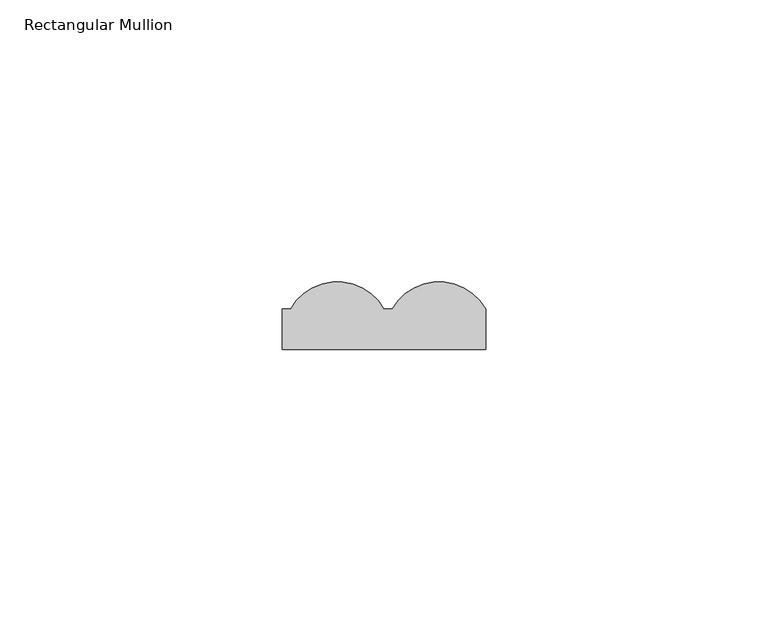
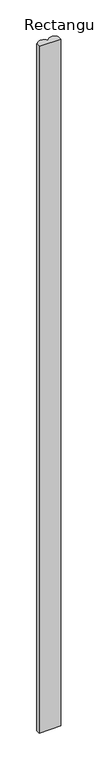
"""IFC4 building model written with IfcOpenShell, lengths in millimetres: member geometry, Rectangular Mullion."""

from ifc_helpers import new_model, si_unit, point, frame, frame_2d, origin, place, context, project, spatial, polyline, circle_curve, trimmed, segment, composite_curve, outline, extrude, source, transform, mapped, element, save


def rectangular_mullion_ddc89e86(model_context):
    return source(origin(), model_context, "Body", "SweptSolid", [
        extrude(outline(composite_curve([segment(polyline([(0.0, 7.1682556), (1.4522038, 7.1682556)]), True, "CONTINUOUS"), segment(trimmed(circle_curve(frame_2d((9.7261019, 2.5)), 9.5), [point((1.4522038, 7.1682556))], [point((18.0, 7.1682556))], False, "CARTESIAN"), True, "CONTINUOUS"), segment(polyline([(18.0, 7.1682556), (18.0, 0.0), (-18.0, 0.0), (-18.0, 7.1682556), (-16.5477962, 7.1682556)]), True, "CONTINUOUS"), segment(trimmed(circle_curve(frame_2d((-8.2738981, 2.5)), 9.5), [point((-16.5477962, 7.1682556))], [point((0.0, 7.1682556))], False, "CARTESIAN"), True, "CONTINUOUS")], self_intersect=False)), frame((0.0, 0.0, -1200.0), z_axis=(0.0, 0.0, 1.0), x_axis=(1.0, 0.0, 0.0)), (0.0, 0.0, 1.0), 1200.0),
    ])


if __name__ == "__main__":
    model = new_model("IFC4")
    model_context = context("Model", 3, world=origin())
    ifc_project = project(units=[si_unit("LENGTHUNIT", "METRE", prefix="MILLI")], contexts=[model_context])
    site = spatial("IfcSite", under=ifc_project)
    building = spatial("IfcBuilding", under=site)
    placement = place(None, origin())
    rectangular_mullion_shape = rectangular_mullion_ddc89e86(model_context)
    element("IfcMember", 1, ObjectType="Rectangular Mullion", at=placement, inside=building, context=model_context, shape_type="MappedRepresentation", body=[
        mapped(rectangular_mullion_shape, transform((0.0, 0.0, 0.0), x_axis=(1.0, 0.0, 0.0), y_axis=(0.0, 1.0, 0.0), z_axis=(0.0, 0.0, 1.0))),
    ])
    save(model, "model.ifc")
